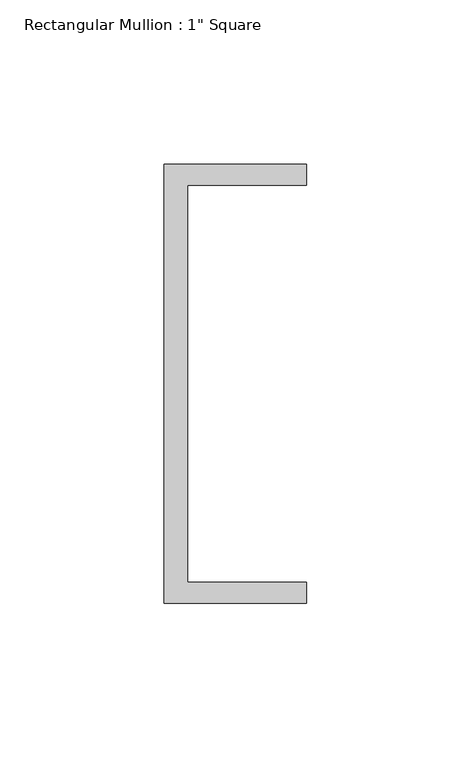
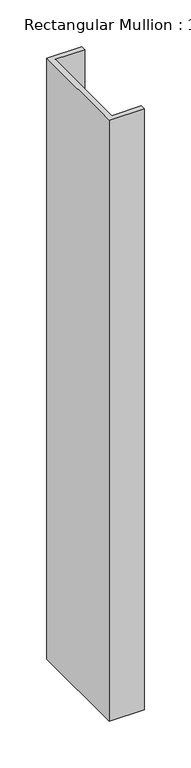
"""IFC4 building model written with IfcOpenShell, lengths in millimetres: member geometry."""

from ifc_helpers import new_model, si_unit, frame, origin, place, context, project, spatial, polyline, outline, extrude, source, transform, mapped, element, save


def member_3b9ddc4c(model_context):
    return source(origin(), model_context, "Body", "SweptSolid", [
        extrude(outline(polyline([(-18.6549463, 135.2608739), (24.5675083, 135.2608739), (24.5675083, 128.9108739), (-11.6110886, 128.9108739), (-11.6110886, 8.2608739), (24.5675083, 8.2608739), (24.5675083, 1.9108739), (-18.6549463, 1.9108739), (-18.6549463, 135.2608739)])), frame((0.0, 0.0, -784.0374543), z_axis=(0.0, 0.0, 1.0), x_axis=(1.0, 0.0, 0.0)), (0.0, 0.0, 1.0), 784.0374543),
    ])


if __name__ == "__main__":
    model = new_model("IFC4")
    model_context = context("Model", 3, world=origin())
    ifc_project = project(units=[si_unit("LENGTHUNIT", "METRE", prefix="MILLI")], contexts=[model_context])
    site = spatial("IfcSite", under=ifc_project)
    building = spatial("IfcBuilding", under=site)
    placement = place(None, origin())
    member_shape = member_3b9ddc4c(model_context)
    element("IfcMember", 1, ObjectType="Rectangular Mullion : 1\" Square", at=placement, inside=building, context=model_context, shape_type="MappedRepresentation", body=[
        mapped(member_shape, transform((0.0, 0.0, 0.0), x_axis=(1.0, 0.0, 0.0), y_axis=(0.0, 1.0, 0.0), z_axis=(0.0, 0.0, 1.0))),
    ])
    save(model, "model.ifc")
